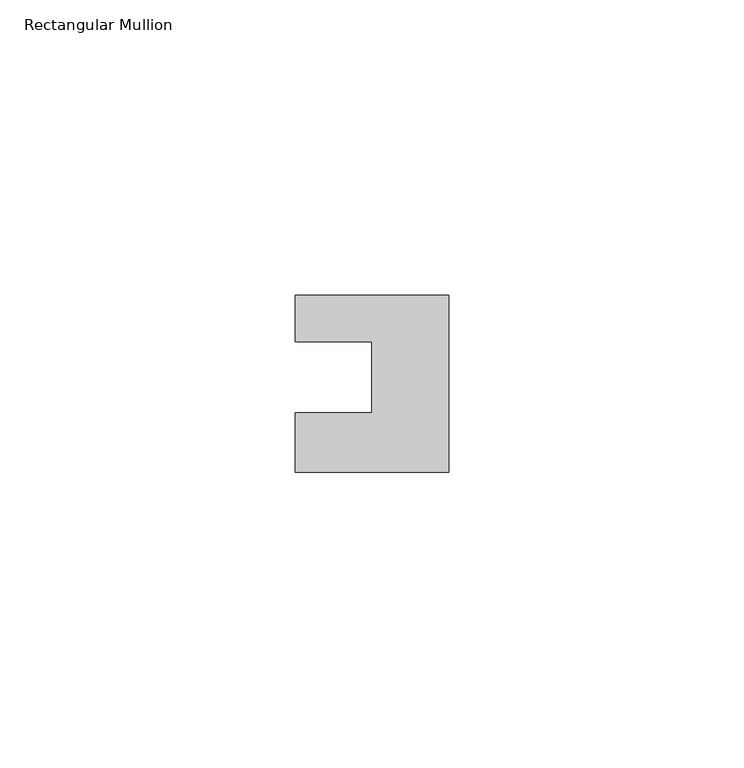
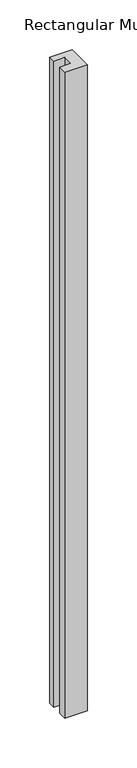
"""IFC4 building model written with IfcOpenShell, lengths in millimetres: member geometry, Rectangular Mullion."""

from ifc_helpers import new_model, si_unit, frame, origin, place, context, project, spatial, polyline, outline, extrude, source, transform, mapped, element, save


def rectangular_mullion_a6d00e6c(model_context):
    return source(origin(), model_context, "Body", "SweptSolid", [
        extrude(outline(polyline([(-26.0, 0.001), (-26.0, 7.94), (0.0, 7.94), (0.0, -22.06), (-26.0, -22.06), (-26.0, -12.0), (-13.0, -12.0), (-13.0, 0.001), (-26.0, 0.001)])), frame((0.0, 0.0, -792.0), z_axis=(0.0, 0.0, 1.0), x_axis=(1.0, 0.0, 0.0)), (0.0, 0.0, 1.0), 792.0),
    ])


if __name__ == "__main__":
    model = new_model("IFC4")
    model_context = context("Model", 3, world=origin())
    ifc_project = project(units=[si_unit("LENGTHUNIT", "METRE", prefix="MILLI")], contexts=[model_context])
    site = spatial("IfcSite", under=ifc_project)
    building = spatial("IfcBuilding", under=site)
    placement = place(None, origin())
    rectangular_mullion_shape = rectangular_mullion_a6d00e6c(model_context)
    element("IfcMember", 1, ObjectType="Rectangular Mullion", at=placement, inside=building, context=model_context, shape_type="MappedRepresentation", body=[
        mapped(rectangular_mullion_shape, transform((0.0, 0.0, 0.0), x_axis=(1.0, 0.0, 0.0), y_axis=(0.0, 1.0, 0.0), z_axis=(0.0, 0.0, 1.0))),
    ])
    save(model, "model.ifc")
